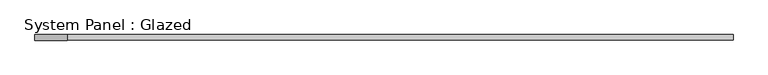
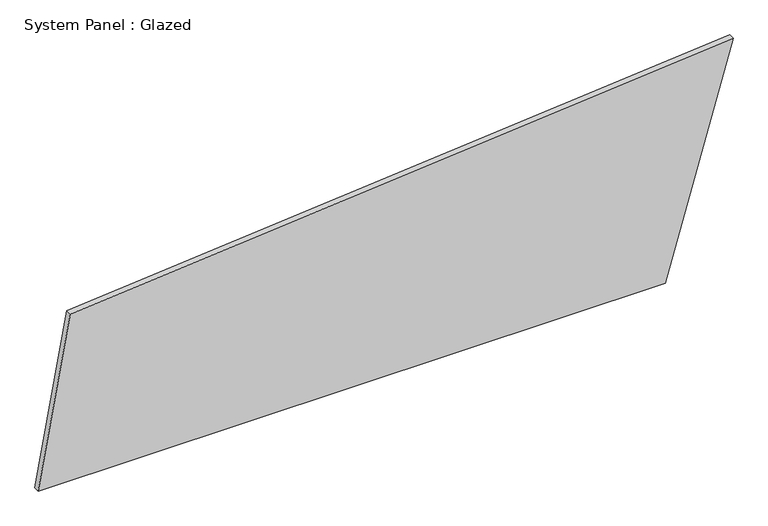
"""IFC4 building model written with IfcOpenShell, lengths in millimetres: plate geometry, System Panel : Glazed."""

from ifc_helpers import new_model, si_unit, frame, origin, place, context, project, spatial, polyline, outline, extrude, source, transform, mapped, element, save


def system_panel_glazed_0761a43e(model_context):
    return source(origin(), model_context, "Body", "SweptSolid", [
        extrude(outline(polyline([(0.0, -1561.9414052), (0.0, 1256.7859663), (1058.7828583, 1561.9414052), (790.0966425, -1418.0029025), (0.0, -1561.9414052)])), frame((0.0, -49.5, 0.0), z_axis=(0.0, 1.0, 0.0), x_axis=(0.0, 0.0, 1.0)), (0.0, 0.0, 1.0), 25.0),
    ])


if __name__ == "__main__":
    model = new_model("IFC4")
    model_context = context("Model", 3, world=origin())
    ifc_project = project(units=[si_unit("LENGTHUNIT", "METRE", prefix="MILLI")], contexts=[model_context])
    site = spatial("IfcSite", under=ifc_project)
    building = spatial("IfcBuilding", under=site)
    placement = place(None, origin())
    system_panel_glazed_shape = system_panel_glazed_0761a43e(model_context)
    element("IfcPlate", 1, ObjectType="System Panel : Glazed", at=placement, inside=building, context=model_context, shape_type="MappedRepresentation", body=[
        mapped(system_panel_glazed_shape, transform((0.0, 0.0, 0.0), x_axis=(1.0, 0.0, 0.0), y_axis=(0.0, 1.0, 0.0), z_axis=(0.0, 0.0, 1.0))),
    ])
    save(model, "model.ifc")
